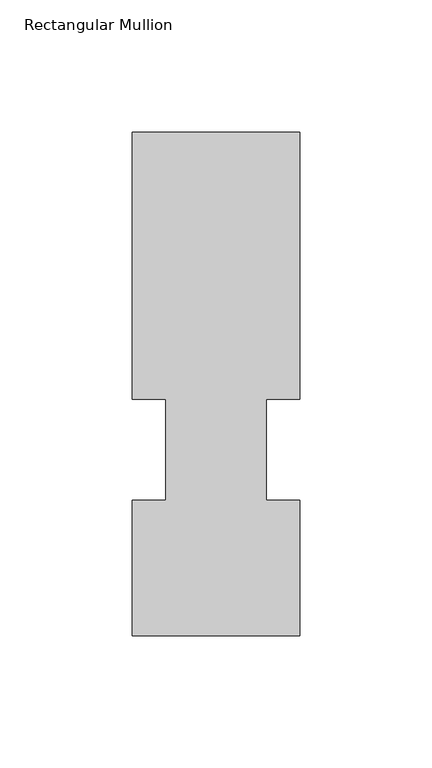
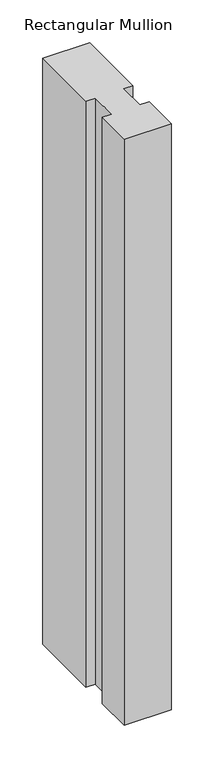
"""IFC4 building model written with IfcOpenShell, lengths in millimetres: member geometry, Rectangular Mullion."""

from ifc_helpers import new_model, si_unit, frame, origin, place, context, project, spatial, polyline, outline, extrude, source, transform, mapped, element, save


def rectangular_mullion_b46ee523(model_context):
    return source(origin(), model_context, "Body", "SweptSolid", [
        extrude(outline(polyline([(-31.75, 190.7881312), (31.75, 190.7881312), (31.75, 89.5945313), (19.05, 89.5945313), (19.05, 51.4945313), (31.75, 51.4945313), (31.75, 0.2119313), (-31.75, 0.2119313), (-31.75, 51.4945313), (-19.05, 51.4945313), (-19.05, 89.5945313), (-31.75, 89.5945313), (-31.75, 190.7881312)])), frame((0.0, 0.0, -838.2), z_axis=(0.0, 0.0, 1.0), x_axis=(1.0, 0.0, 0.0)), (0.0, 0.0, 1.0), 838.2),
    ])


if __name__ == "__main__":
    model = new_model("IFC4")
    model_context = context("Model", 3, world=origin())
    ifc_project = project(units=[si_unit("LENGTHUNIT", "METRE", prefix="MILLI")], contexts=[model_context])
    site = spatial("IfcSite", under=ifc_project)
    building = spatial("IfcBuilding", under=site)
    placement = place(None, origin())
    rectangular_mullion_shape = rectangular_mullion_b46ee523(model_context)
    element("IfcMember", 1, ObjectType="Rectangular Mullion", at=placement, inside=building, context=model_context, shape_type="MappedRepresentation", body=[
        mapped(rectangular_mullion_shape, transform((0.0, 0.0, 0.0), x_axis=(1.0, 0.0, 0.0), y_axis=(0.0, 1.0, 0.0), z_axis=(0.0, 0.0, 1.0))),
    ])
    save(model, "model.ifc")
